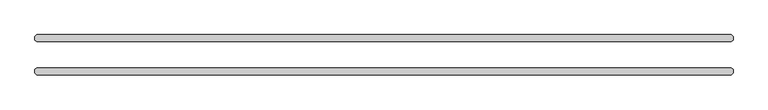
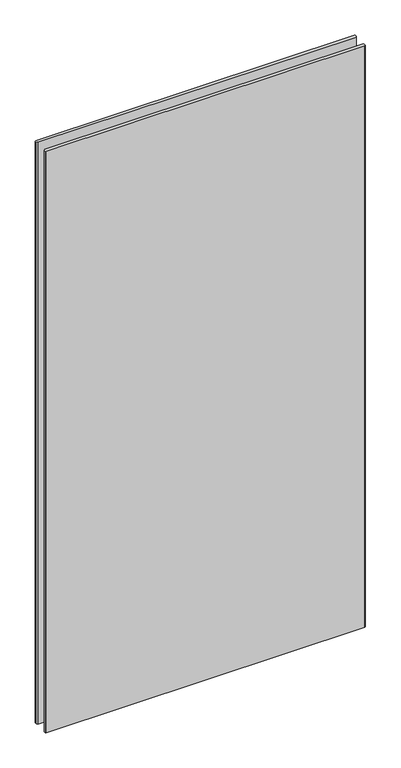
"""IFC4 building model written with IfcOpenShell, lengths in millimetres: plate geometry."""

from ifc_helpers import new_model, si_unit, origin, origin_with_axes, place, context, project, spatial, polyline, outline, extrude, source, transform, mapped, element, save


def plate_98c23599(model_context):
    return source(origin(), model_context, "Body", "SweptSolid", [
        extrude(outline(polyline([(629.046875, -36.5125), (-629.046875, -36.5125), (-632.221875, -33.3375), (-632.221875, -26.9875), (-629.046875, -23.8125), (629.046875, -23.8125), (632.221875, -26.9875), (632.221875, -33.3375), (629.046875, -36.5125)])), origin_with_axes(), (0.0, 0.0, 1.0), 2428.7789267),
        extrude(outline(polyline([(629.046875, 23.8125), (-629.046875, 23.8125), (-632.221875, 26.9875), (-632.221875, 33.3375), (-629.046875, 36.5125), (629.046875, 36.5125), (632.221875, 33.3375), (632.221875, 26.9875), (629.046875, 23.8125)])), origin_with_axes(), (0.0, 0.0, 1.0), 2428.7789267),
    ])


if __name__ == "__main__":
    model = new_model("IFC4")
    model_context = context("Model", 3, world=origin())
    ifc_project = project(units=[si_unit("LENGTHUNIT", "METRE", prefix="MILLI")], contexts=[model_context])
    site = spatial("IfcSite", under=ifc_project)
    building = spatial("IfcBuilding", under=site)
    placement = place(None, origin())
    plate_shape = plate_98c23599(model_context)
    element("IfcPlate", 1, at=placement, inside=building, context=model_context, shape_type="MappedRepresentation", body=[
        mapped(plate_shape, transform((0.0, 0.0, 0.0), x_axis=(1.0, 0.0, 0.0), y_axis=(0.0, 1.0, 0.0), z_axis=(0.0, 0.0, 1.0))),
    ])
    save(model, "model.ifc")
